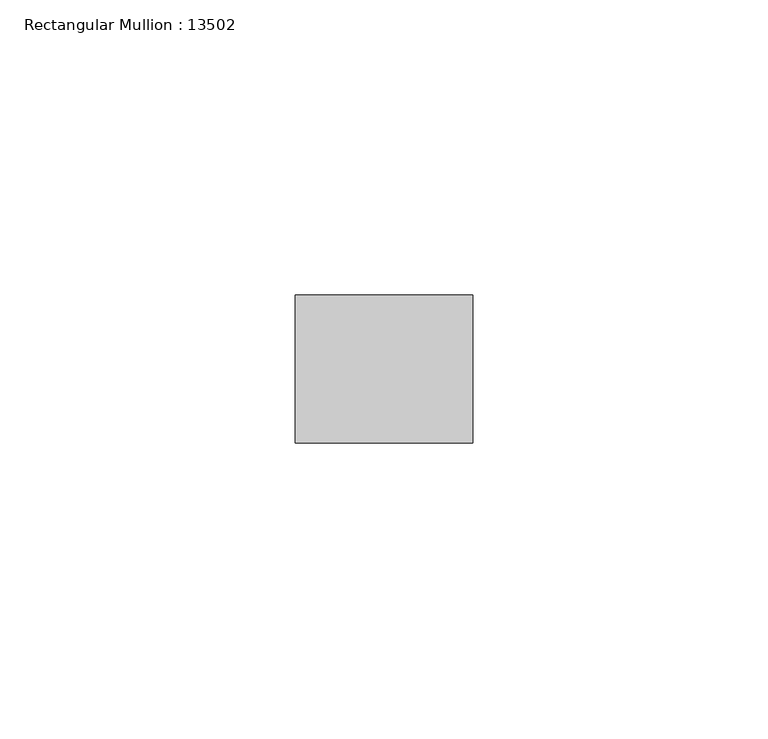
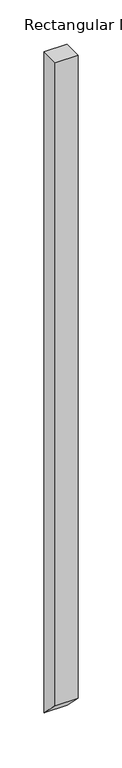
"""IFC4 building model written with IfcOpenShell, lengths in millimetres: member geometry, Rectangular Mullion : 13502."""

from ifc_helpers import new_model, si_unit, frame, origin, place, context, project, spatial, polyline, outline, extrude, source, transform, mapped, element, save


def rectangular_mullion_13502_e9d85285(model_context):
    return source(origin(), model_context, "Body", "SweptSolid", [
        extrude(outline(polyline([(-12.5, 0.0), (12.5, 0.0), (12.5, -912.5), (-12.5, -887.5), (-12.5, 0.0)])), frame((-29.9999993, 0.0, 0.0), z_axis=(1.0, 0.0, 0.0), x_axis=(0.0, 1.0, 0.0)), (0.0, 0.0, 1.0), 29.9999993),
    ])


if __name__ == "__main__":
    model = new_model("IFC4")
    model_context = context("Model", 3, world=origin())
    ifc_project = project(units=[si_unit("LENGTHUNIT", "METRE", prefix="MILLI")], contexts=[model_context])
    site = spatial("IfcSite", under=ifc_project)
    building = spatial("IfcBuilding", under=site)
    placement = place(None, origin())
    rectangular_mullion_13502_shape = rectangular_mullion_13502_e9d85285(model_context)
    element("IfcMember", 1, ObjectType="Rectangular Mullion : 13502", at=placement, inside=building, context=model_context, shape_type="MappedRepresentation", body=[
        mapped(rectangular_mullion_13502_shape, transform((0.0, 0.0, 0.0), x_axis=(1.0, 0.0, 0.0), y_axis=(0.0, 1.0, 0.0), z_axis=(0.0, 0.0, 1.0))),
    ])
    save(model, "model.ifc")
